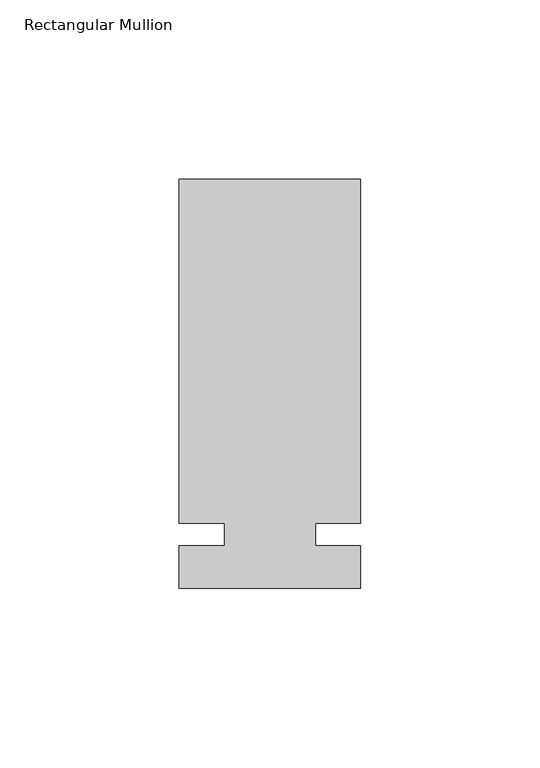
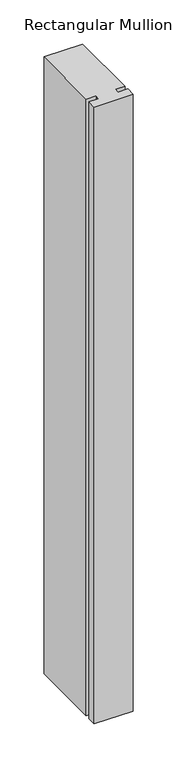
"""IFC4 building model written with IfcOpenShell, lengths in millimetres: member geometry, Rectangular Mullion."""

from ifc_helpers import new_model, si_unit, frame, origin, place, context, project, spatial, polyline, outline, extrude, source, transform, mapped, element, save


def rectangular_mullion_d0653ef4(model_context):
    return source(origin(), model_context, "Body", "SweptSolid", [
        extrude(outline(polyline([(29.7344027, 99.21875), (29.7344027, 3.175), (17.0326322, 3.175), (17.0326322, -3.175), (29.7344027, -3.175), (29.7344027, -15.08125), (-21.0655973, -15.08125), (-21.0655973, -3.175), (-8.3655973, -3.175), (-8.3655973, 3.175), (-21.0655973, 3.175), (-21.0655973, 99.21875), (29.7344027, 99.21875)])), frame((0.0, 0.0, -854.075), z_axis=(0.0, 0.0, 1.0), x_axis=(1.0, 0.0, 0.0)), (0.0, 0.0, 1.0), 854.075),
    ])


if __name__ == "__main__":
    model = new_model("IFC4")
    model_context = context("Model", 3, world=origin())
    ifc_project = project(units=[si_unit("LENGTHUNIT", "METRE", prefix="MILLI")], contexts=[model_context])
    site = spatial("IfcSite", under=ifc_project)
    building = spatial("IfcBuilding", under=site)
    placement = place(None, origin())
    rectangular_mullion_shape = rectangular_mullion_d0653ef4(model_context)
    element("IfcMember", 1, ObjectType="Rectangular Mullion", at=placement, inside=building, context=model_context, shape_type="MappedRepresentation", body=[
        mapped(rectangular_mullion_shape, transform((0.0, 0.0, 0.0), x_axis=(1.0, 0.0, 0.0), y_axis=(0.0, 1.0, 0.0), z_axis=(0.0, 0.0, 1.0))),
    ])
    save(model, "model.ifc")
